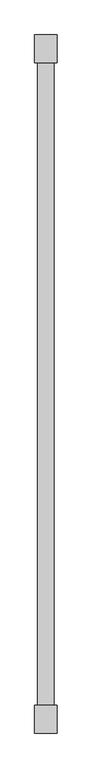
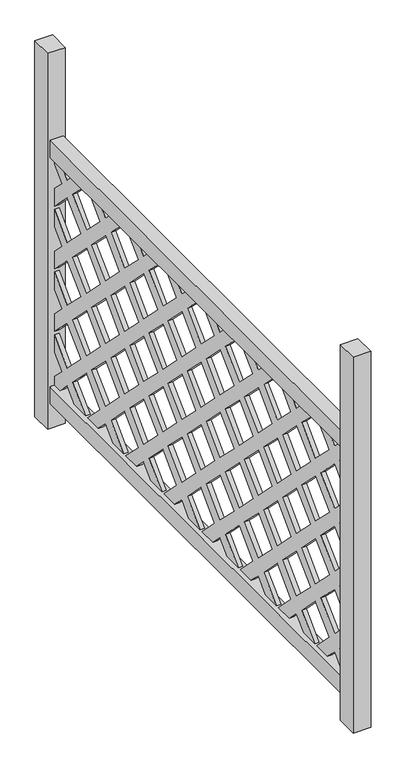
"""IFC4 building model written with IfcOpenShell, lengths in millimetres: railing geometry."""

from ifc_helpers import new_model, si_unit, frame, origin, origin_with_axes, place, context, project, spatial, polyline, outline, extrude, source, transform, mapped, element, save


def railing_6e14187d(model_context):
    return source(origin(), model_context, "Body", "SweptSolid", [
        extrude(outline(polyline([(-25439.5907332, 649.9990226), (-25489.589957, 599.9998646), (-25435.8027349, 546.2125768), (-25382.015447, 599.9998646), (-25432.01855, 649.9990226), (-25389.5914436, 649.9990226), (-25360.8058388, 621.2132863), (-25332.016289, 649.9990226), (-25289.5891827, 649.9990226), (-25339.5922856, 599.9998646), (-25285.8049978, 546.2125768), (-25232.0178414, 599.9998646), (-25282.0169995, 649.9990226), (-25239.5900247, 649.9990226), (-25210.8042883, 621.2132863), (-25182.0185519, 649.9990226), (-25139.5915771, 649.9990226), (-25189.5907351, 599.9998646), (-25135.8035788, 546.2125768), (-25082.016291, 599.9998646), (-25132.0155805, 649.9990226), (-25089.5922876, 649.9990226), (-25060.8028693, 621.2132863), (-25032.0171329, 649.9990226), (-24989.5900266, 649.9990226), (-25039.5893161, 599.9998646), (-24985.8058417, 546.2125768), (-24932.0186853, 599.9998646), (-24982.0178434, 649.9990226), (-24939.5908686, 649.9990226), (-24910.8051322, 621.2132863), (-24882.0155824, 649.9990226), (-24839.592421, 649.9990226), (-24889.591579, 599.9998646), (-24835.8044227, 546.2125768), (-24782.0171349, 599.9998646), (-24832.0164244, 649.9990226), (-24789.5893181, 649.9990226), (-24760.8037132, 621.2132863), (-24732.0179768, 649.9990226), (-24689.5908705, 649.9990226), (-24739.5901601, 599.9998646), (-24685.8028722, 546.2125768), (-24632.0157159, 599.9998646), (-24682.0188188, 649.9990226), (-24639.5917125, 649.9990226), (-24610.8059761, 621.2132863), (-24582.0165578, 649.9990226), (-24560.8030047, 649.9990226), (-24560.8030047, 628.7854695), (-24589.5924229, 599.9998646), (-24560.8030047, 571.2121558), (-24560.8030047, 528.7870877), (-24610.8059761, 578.7863115), (-24664.5894506, 524.9990894), (-24610.8059761, 471.213774), (-24560.8030047, 521.2129978), (-24560.8030047, 478.7859572), (-24589.5924229, 450.0002208), (-24560.8030047, 421.2126435), (-24560.8030047, 378.7856029), (-24610.8059761, 428.7867334), (-24664.5894506, 374.9995113), (-24610.8059761, 321.2122892), (-24560.8030047, 371.2134197), (-24560.8030047, 328.7863792), (-24589.5924229, 299.9988018), (-24560.8030047, 271.2130655), (-24560.8030047, 228.7860249), (-24610.8059761, 278.7871554), (-24664.5894506, 224.9999333), (-24610.8059761, 171.2127112), (-24560.8030047, 221.2138417), (-24560.8030047, 178.7868011), (-24589.5924229, 149.9992238), (-24560.8030047, 121.2134874), (-24560.8030047, 100.0), (-24582.0165578, 100.0), (-24610.8059761, 128.7856706), (-24639.5917125, 100.0), (-24682.0188188, 100.0), (-24632.0157159, 149.9992238), (-24685.8028722, 203.7864459), (-24739.5901601, 149.9992238), (-24689.5908705, 100.0), (-24732.0179768, 100.0), (-24760.8037132, 128.7856706), (-24789.5893181, 100.0), (-24832.0164244, 100.0), (-24782.0171349, 149.9992238), (-24835.8044227, 203.7864459), (-24889.591579, 149.9992238), (-24839.592421, 100.0), (-24882.0155824, 100.0), (-24910.8051322, 128.7856706), (-24939.5908686, 100.0), (-24982.0178434, 100.0), (-24932.0186853, 149.9992238), (-24985.8058417, 203.7864459), (-25039.5893161, 149.9992238), (-24989.5900266, 100.0), (-25032.0171329, 100.0), (-25060.8028693, 128.7856706), (-25089.5922876, 100.0), (-25132.0155805, 100.0), (-25082.016291, 149.9992238), (-25135.8035788, 203.7864459), (-25189.5907351, 149.9992238), (-25139.5915771, 100.0), (-25182.0185519, 100.0), (-25210.8042883, 128.7856706), (-25239.5900247, 100.0), (-25282.0169995, 100.0), (-25232.0178414, 149.9992238), (-25285.8049978, 203.7864459), (-25339.5922856, 149.9992238), (-25289.5891827, 100.0), (-25332.016289, 100.0), (-25360.8058388, 128.7856706), (-25389.5914436, 100.0), (-25432.01855, 100.0), (-25382.015447, 149.9992238), (-25435.8027349, 203.7864459), (-25489.589957, 149.9992238), (-25439.5907332, 100.0), (-25482.0177737, 100.0), (-25510.8034444, 128.7856706), (-25539.5910874, 100.0), (-25582.0162213, 100.0), (-25532.0169975, 149.9992238), (-25585.8042196, 203.7864459), (-25639.5914417, 149.9992238), (-25589.5903112, 100.0), (-25632.0173518, 100.0), (-25660.8030224, 128.7856706), (-25689.5906655, 100.0), (-25710.8041529, 100.0), (-25710.8041529, 121.2134874), (-25682.0165756, 149.9992238), (-25710.8041529, 178.7868011), (-25710.8041529, 221.2138417), (-25660.8030224, 171.2127112), (-25607.017707, 224.9999333), (-25660.8030224, 278.7871554), (-25710.8041529, 228.7860249), (-25710.8041529, 271.2130655), (-25682.0165756, 299.9988018), (-25710.8041529, 328.7863792), (-25710.8041529, 371.2134197), (-25660.8030224, 321.2122892), (-25607.017707, 374.9995113), (-25660.8030224, 428.7867334), (-25710.8041529, 378.7856029), (-25710.8041529, 421.2126435), (-25682.0165756, 450.0002208), (-25710.8041529, 478.7859572), (-25710.8041529, 521.2129978), (-25660.8030224, 471.213774), (-25607.017707, 524.9990894), (-25660.8030224, 578.7863115), (-25710.8041529, 528.7870877), (-25710.8041529, 571.2121558), (-25682.0165756, 599.9998646), (-25710.8041529, 628.7854695), (-25710.8041529, 649.9990226), (-25689.5906655, 649.9990226), (-25660.8030224, 621.2132863), (-25632.0173518, 649.9990226), (-25589.5903112, 649.9990226), (-25639.5914417, 599.9998646), (-25585.8042196, 546.2125768), (-25532.0169975, 599.9998646), (-25582.0162213, 649.9990226), (-25539.5910874, 649.9990226), (-25510.8034444, 621.2132863), (-25482.0177737, 649.9990226), (-25439.5907332, 649.9990226)]), holes=[polyline([(-25510.8034444, 578.7863115), (-25564.5906665, 524.9990894), (-25510.8034444, 471.213774), (-25457.016288, 524.9990894), (-25510.8034444, 578.7863115)]), polyline([(-25585.8042196, 503.7855362), (-25639.5914417, 450.0002208), (-25585.8042196, 396.2130645), (-25532.0169975, 450.0002208), (-25585.8042196, 503.7855362)]), polyline([(-25510.8034444, 428.7867334), (-25564.5906665, 374.9995113), (-25510.8034444, 321.2122892), (-25457.016288, 374.9995113), (-25510.8034444, 428.7867334)]), polyline([(-25382.015447, 450.0002208), (-25435.8027349, 503.7855362), (-25489.589957, 450.0002208), (-25435.8027349, 396.2130645), (-25382.015447, 450.0002208)]), polyline([(-25360.8058388, 471.213774), (-25307.0185509, 524.9990894), (-25360.8058388, 578.7863115), (-25414.5891817, 524.9990894), (-25360.8058388, 471.213774)]), polyline([(-25585.8042196, 353.7859582), (-25639.5914417, 299.9988018), (-25585.8042196, 246.2134864), (-25532.0169975, 299.9988018), (-25585.8042196, 353.7859582)]), polyline([(-25510.8034444, 278.7871554), (-25564.5906665, 224.9999333), (-25510.8034444, 171.2127112), (-25457.016288, 224.9999333), (-25510.8034444, 278.7871554)]), polyline([(-25489.589957, 299.9988018), (-25435.8027349, 246.2134864), (-25382.015447, 299.9988018), (-25435.8027349, 353.7859582), (-25489.589957, 299.9988018)]), polyline([(-25360.8058388, 321.2122892), (-25307.0185509, 374.9995113), (-25360.8058388, 428.7867334), (-25414.5891817, 374.9995113), (-25360.8058388, 321.2122892)]), polyline([(-25339.5922856, 450.0002208), (-25285.8049978, 396.2130645), (-25232.0178414, 450.0002208), (-25285.8049978, 503.7855362), (-25339.5922856, 450.0002208)]), polyline([(-25210.8042883, 471.213774), (-25157.0171319, 524.9990894), (-25210.8042883, 578.7863115), (-25264.5915761, 524.9990894), (-25210.8042883, 471.213774)]), polyline([(-25114.5900256, 524.9990894), (-25060.8028693, 471.213774), (-25007.0155815, 524.9990894), (-25060.8028693, 578.7863115), (-25114.5900256, 524.9990894)]), polyline([(-25210.8042883, 428.7867334), (-25264.5915761, 374.9995113), (-25210.8042883, 321.2122892), (-25157.0171319, 374.9995113), (-25210.8042883, 428.7867334)]), polyline([(-25285.8049978, 353.7859582), (-25339.5922856, 299.9988018), (-25285.8049978, 246.2134864), (-25232.0178414, 299.9988018), (-25285.8049978, 353.7859582)]), polyline([(-25414.5891817, 224.9999333), (-25360.8058388, 171.2127112), (-25307.0185509, 224.9999333), (-25360.8058388, 278.7871554), (-25414.5891817, 224.9999333)]), polyline([(-25135.8035788, 503.7855362), (-25189.5907351, 450.0002208), (-25135.8035788, 396.2130645), (-25082.016291, 450.0002208), (-25135.8035788, 503.7855362)]), polyline([(-24964.59242, 524.9990894), (-24910.8051322, 471.213774), (-24857.0179759, 524.9990894), (-24910.8051322, 578.7863115), (-24964.59242, 524.9990894)]), polyline([(-24857.0179759, 374.9995113), (-24910.8051322, 428.7867334), (-24964.59242, 374.9995113), (-24910.8051322, 321.2122892), (-24857.0179759, 374.9995113)]), polyline([(-24985.8058417, 503.7855362), (-25039.5893161, 450.0002208), (-24985.8058417, 396.2130645), (-24932.0186853, 450.0002208), (-24985.8058417, 503.7855362)]), polyline([(-25007.0155815, 374.9995113), (-25060.8028693, 428.7867334), (-25114.5900256, 374.9995113), (-25060.8028693, 321.2122892), (-25007.0155815, 374.9995113)]), polyline([(-25135.8035788, 353.7859582), (-25189.5907351, 299.9988018), (-25135.8035788, 246.2134864), (-25082.016291, 299.9988018), (-25135.8035788, 353.7859582)]), polyline([(-25210.8042883, 278.7871554), (-25264.5915761, 224.9999333), (-25210.8042883, 171.2127112), (-25157.0171319, 224.9999333), (-25210.8042883, 278.7871554)]), polyline([(-25007.0155815, 224.9999333), (-25060.8028693, 278.7871554), (-25114.5900256, 224.9999333), (-25060.8028693, 171.2127112), (-25007.0155815, 224.9999333)]), polyline([(-24964.59242, 224.9999333), (-24910.8051322, 171.2127112), (-24857.0179759, 224.9999333), (-24910.8051322, 278.7871554), (-24964.59242, 224.9999333)]), polyline([(-25039.5893161, 299.9988018), (-24985.8058417, 246.2134864), (-24932.0186853, 299.9988018), (-24985.8058417, 353.7859582), (-25039.5893161, 299.9988018)]), polyline([(-24889.591579, 299.9988018), (-24835.8044227, 246.2134864), (-24782.0171349, 299.9988018), (-24835.8044227, 353.7859582), (-24889.591579, 299.9988018)]), polyline([(-24835.8044227, 396.2130645), (-24782.0171349, 450.0002208), (-24835.8044227, 503.7855362), (-24889.591579, 450.0002208), (-24835.8044227, 396.2130645)]), polyline([(-24814.5908695, 524.9990894), (-24760.8037132, 471.213774), (-24707.0164254, 524.9990894), (-24760.8037132, 578.7863115), (-24814.5908695, 524.9990894)]), polyline([(-24685.8028722, 396.2130645), (-24632.0157159, 450.0002208), (-24685.8028722, 503.7855362), (-24739.5901601, 450.0002208), (-24685.8028722, 396.2130645)]), polyline([(-24707.0164254, 374.9995113), (-24760.8037132, 428.7867334), (-24814.5908695, 374.9995113), (-24760.8037132, 321.2122892), (-24707.0164254, 374.9995113)]), polyline([(-24685.8028722, 246.2134864), (-24632.0157159, 299.9988018), (-24685.8028722, 353.7859582), (-24739.5901601, 299.9988018), (-24685.8028722, 246.2134864)]), polyline([(-24760.8037132, 278.7871554), (-24814.5908695, 224.9999333), (-24760.8037132, 171.2127112), (-24707.0164254, 224.9999333), (-24760.8037132, 278.7871554)])]), frame((4976.5303378, 0.0, 0.0), z_axis=(1.0, 0.0, 0.0), x_axis=(0.0, 1.0, 0.0)), (0.0, 0.0, 1.0), 10.0),
        extrude(outline(polyline([(4995.5303378, -24560.8030047), (4995.5303378, -25710.8033767), (4965.5303378, -25710.8033767), (4965.5303378, -24560.8030047), (4995.5303378, -24560.8030047)])), frame((0.0, 0.0, 649.9990226), z_axis=(0.0, 0.0, 1.0), x_axis=(1.0, 0.0, 0.0)), (0.0, 0.0, 1.0), 40.0009774),
        extrude(outline(polyline([(4995.5303378, -24560.8030047), (4995.5303378, -25710.8033767), (4965.5303378, -25710.8033767), (4965.5303378, -24560.8030047), (4995.5303378, -24560.8030047)])), frame((0.0, 0.0, 60.0), z_axis=(0.0, 0.0, 1.0), x_axis=(1.0, 0.0, 0.0)), (0.0, 0.0, 1.0), 40.0),
        extrude(outline(polyline([(5000.5303378, -24510.8037152), (5000.5303378, -24560.8037152), (4960.5303378, -24560.8037152), (4960.5303378, -24510.8037152), (5000.5303378, -24510.8037152)])), origin_with_axes(), (0.0, 0.0, 1.0), 900.0),
        extrude(outline(polyline([(5000.5303378, -25710.8033767), (5000.5303378, -25760.8033767), (4960.5303378, -25760.8033767), (4960.5303378, -25710.8033767), (5000.5303378, -25710.8033767)])), origin_with_axes(), (0.0, 0.0, 1.0), 900.0),
    ])


if __name__ == "__main__":
    model = new_model("IFC4")
    model_context = context("Model", 3, world=origin())
    ifc_project = project(units=[si_unit("LENGTHUNIT", "METRE", prefix="MILLI")], contexts=[model_context])
    site = spatial("IfcSite", under=ifc_project)
    building = spatial("IfcBuilding", under=site)
    placement = place(None, origin())
    railing_shape = railing_6e14187d(model_context)
    element("IfcRailing", 1, at=placement, inside=building, context=model_context, shape_type="MappedRepresentation", body=[
        mapped(railing_shape, transform((0.0, 0.0, 0.0), x_axis=(1.0, 0.0, 0.0), y_axis=(0.0, 1.0, 0.0), z_axis=(0.0, 0.0, 1.0))),
    ])
    save(model, "model.ifc")
